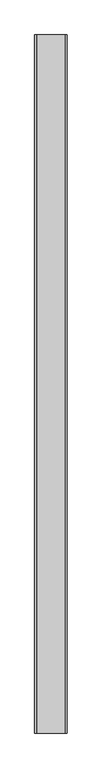
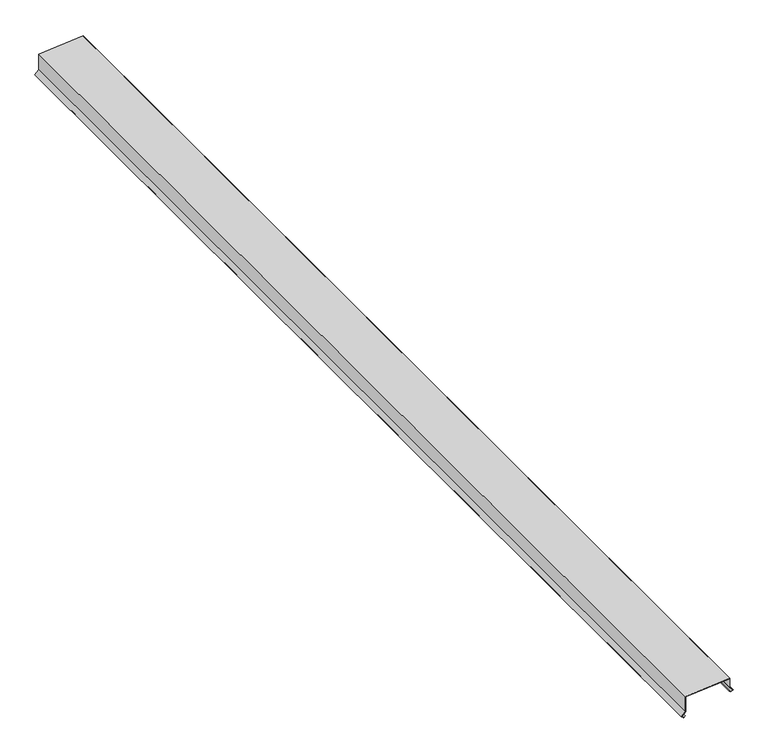
"""IFC4 building model written with IfcOpenShell, lengths in millimetres: proxy geometry."""

from ifc_helpers import new_model, si_unit, frame, origin, place, context, project, spatial, polyline, outline, extrude, source, transform, mapped, element, save


def generic_models_8648e11f(model_context):
    return source(origin(), model_context, "Body", "SweptSolid", [
        extrude(outline(polyline([(5662.8949654, 37846.5673806), (5671.0275386, 37838.4348074), (5669.9050066, 37837.3122754), (5660.7438223, 37846.4734597), (5671.1781616, 37858.908621), (5689.9815385, 37840.1052441), (5747.4353823, 37840.1052441), (5725.2052833, 37580.824898), (5631.2206496, 37580.824898), (5608.0169256, 37557.621174), (5597.5825863, 37570.0563353), (5607.1753677, 37579.6491167), (5608.2978997, 37578.5265847), (5599.7337294, 37569.9624144), (5608.1194223, 37559.9687348), (5630.5630856, 37582.412398), (5723.7480677, 37582.412398), (5745.7059496, 37838.5177441), (5689.3239745, 37838.5177441), (5671.2806583, 37856.5610603), (5662.8949654, 37846.5673806)])), frame((0.0, -25196.3529893, 0.0), z_axis=(0.0, 1.0, 0.0), x_axis=(0.0, 0.0, 1.0)), (0.0, 0.0, 1.0), 6533.92),
    ])


if __name__ == "__main__":
    model = new_model("IFC4")
    model_context = context("Model", 3, world=origin())
    ifc_project = project(units=[si_unit("LENGTHUNIT", "METRE", prefix="MILLI")], contexts=[model_context])
    site = spatial("IfcSite", under=ifc_project)
    building = spatial("IfcBuilding", under=site)
    placement = place(None, origin())
    generic_models_shape = generic_models_8648e11f(model_context)
    element("IfcBuildingElementProxy", 1, Name="Generic Models", at=placement, inside=building, context=model_context, shape_type="MappedRepresentation", body=[
        mapped(generic_models_shape, transform((0.0, 0.0, 0.0), x_axis=(1.0, 0.0, 0.0), y_axis=(0.0, 1.0, 0.0), z_axis=(0.0, 0.0, 1.0))),
    ])
    save(model, "model.ifc")
